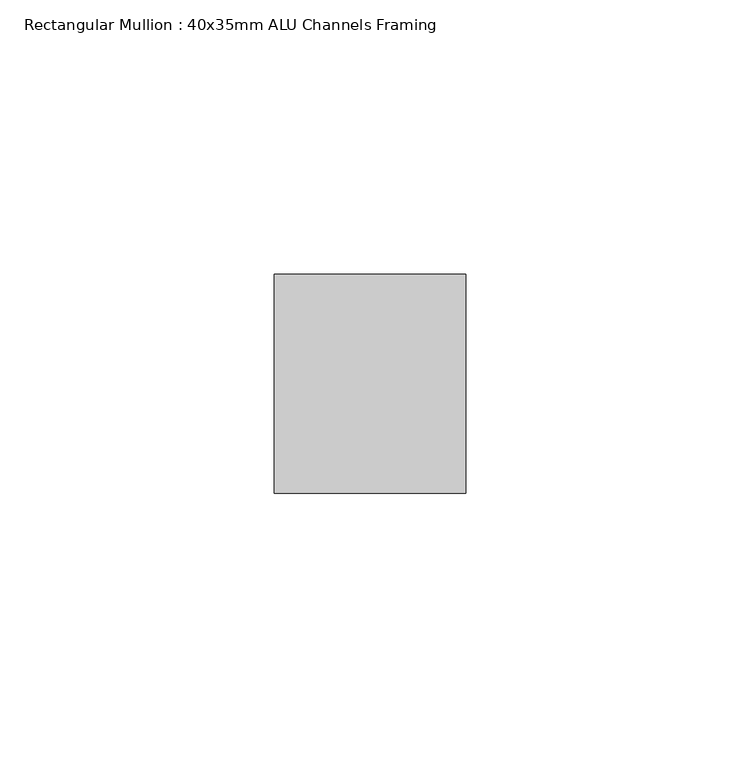
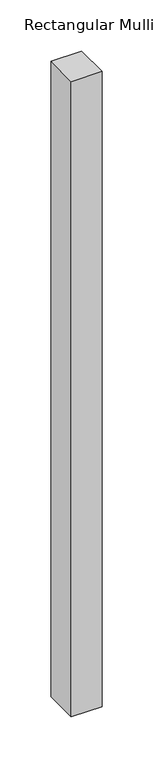
"""IFC4 building model written with IfcOpenShell, lengths in millimetres: member geometry, Rectangular Mullion : 40x35mm ALU Channels Framing."""

from ifc_helpers import new_model, si_unit, frame, origin, place, context, project, spatial, polyline, outline, extrude, source, transform, mapped, element, save


def rectangular_mullion_40x35mm_alu_channels_framing_9f7de76c(model_context):
    return source(origin(), model_context, "Body", "SweptSolid", [
        extrude(outline(polyline([(0.0, 20.0), (0.0, -20.0), (-35.0, -20.0), (-35.0, 20.0), (0.0, 20.0)])), frame((0.0, 0.0, -760.0), z_axis=(0.0, 0.0, 1.0), x_axis=(1.0, 0.0, 0.0)), (0.0, 0.0, 1.0), 760.0),
    ])


if __name__ == "__main__":
    model = new_model("IFC4")
    model_context = context("Model", 3, world=origin())
    ifc_project = project(units=[si_unit("LENGTHUNIT", "METRE", prefix="MILLI")], contexts=[model_context])
    site = spatial("IfcSite", under=ifc_project)
    building = spatial("IfcBuilding", under=site)
    placement = place(None, origin())
    rectangular_mullion_40x35mm_alu_channels_framing_shape = rectangular_mullion_40x35mm_alu_channels_framing_9f7de76c(model_context)
    element("IfcMember", 1, ObjectType="Rectangular Mullion : 40x35mm ALU Channels Framing", at=placement, inside=building, context=model_context, shape_type="MappedRepresentation", body=[
        mapped(rectangular_mullion_40x35mm_alu_channels_framing_shape, transform((0.0, 0.0, 0.0), x_axis=(1.0, 0.0, 0.0), y_axis=(0.0, 1.0, 0.0), z_axis=(0.0, 0.0, 1.0))),
    ])
    save(model, "model.ifc")
